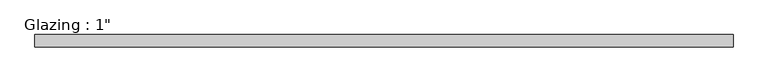
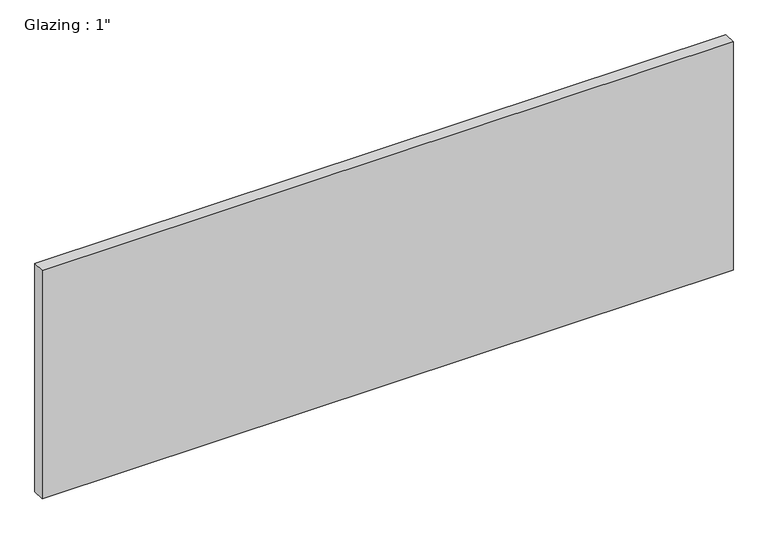
"""IFC4 building model written with IfcOpenShell, lengths in millimetres: plate geometry."""

from ifc_helpers import new_model, si_unit, origin, origin_with_axes, place, context, project, spatial, polyline, outline, extrude, source, transform, mapped, element, save


def plate_529a608f(model_context):
    return source(origin(), model_context, "Body", "SweptSolid", [
        extrude(outline(polyline([(712.2527053, 12.7), (712.2527053, -12.7), (-712.2527053, -12.7), (-712.2527053, 12.7), (712.2527053, 12.7)])), origin_with_axes(), (0.0, 0.0, 1.0), 497.9851068),
    ])


if __name__ == "__main__":
    model = new_model("IFC4")
    model_context = context("Model", 3, world=origin())
    ifc_project = project(units=[si_unit("LENGTHUNIT", "METRE", prefix="MILLI")], contexts=[model_context])
    site = spatial("IfcSite", under=ifc_project)
    building = spatial("IfcBuilding", under=site)
    placement = place(None, origin())
    plate_shape = plate_529a608f(model_context)
    element("IfcPlate", 1, ObjectType="Glazing : 1\"", at=placement, inside=building, context=model_context, shape_type="MappedRepresentation", body=[
        mapped(plate_shape, transform((0.0, 0.0, 0.0), x_axis=(1.0, 0.0, 0.0), y_axis=(0.0, 1.0, 0.0), z_axis=(0.0, 0.0, 1.0))),
    ])
    save(model, "model.ifc")
